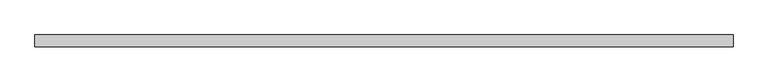
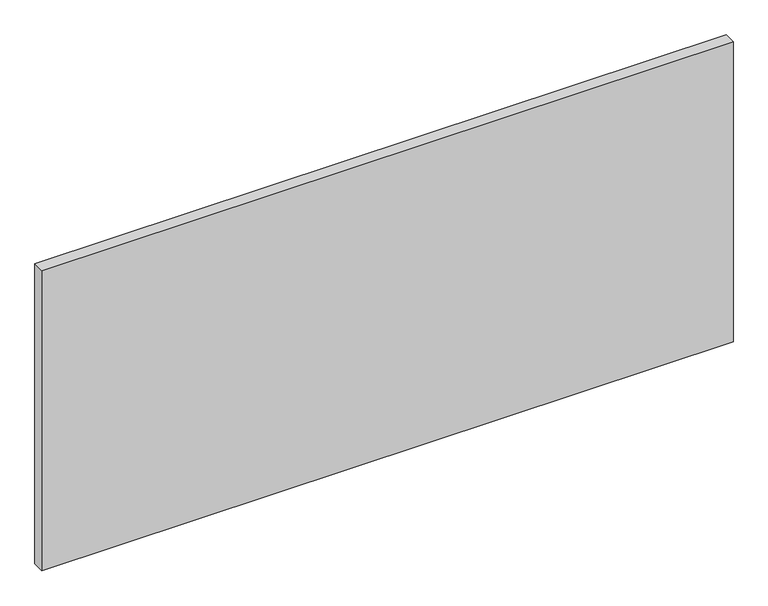
"""IFC4 building model written with IfcOpenShell, lengths in millimetres: furniture geometry."""

from ifc_helpers import new_model, si_unit, frame, origin, place, context, project, spatial, polyline, outline, extrude, source, transform, mapped, element, save


def furniture_0869bfe8(model_context):
    return source(origin(), model_context, "Body", "SweptSolid", [
        extrude(outline(polyline([(1218.5994553, 23.9700054), (0.59944, 23.9700054), (0.59944, 44.5440062), (1218.5994553, 44.5440062), (1218.5994553, 23.9700054)])), frame((0.0, 0.0, 139.700003), z_axis=(0.0, 0.0, 1.0), x_axis=(1.0, 0.0, 0.0)), (0.0, 0.0, 1.0), 558.8000212),
    ])


if __name__ == "__main__":
    model = new_model("IFC4")
    model_context = context("Model", 3, world=origin())
    ifc_project = project(units=[si_unit("LENGTHUNIT", "METRE", prefix="MILLI")], contexts=[model_context])
    site = spatial("IfcSite", under=ifc_project)
    building = spatial("IfcBuilding", under=site)
    placement = place(None, origin())
    furniture_shape = furniture_0869bfe8(model_context)
    element("IfcFurniture", 1, at=placement, inside=building, context=model_context, shape_type="MappedRepresentation", body=[
        mapped(furniture_shape, transform((0.0, 0.0, 0.0), x_axis=(1.0, 0.0, 0.0), y_axis=(0.0, 1.0, 0.0), z_axis=(0.0, 0.0, 1.0))),
    ])
    save(model, "model.ifc")
